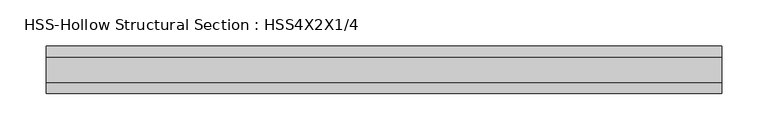
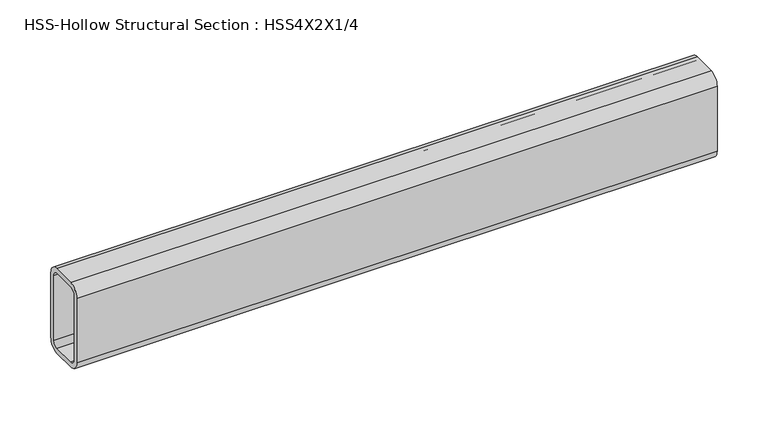
"""IFC4 building model written with IfcOpenShell, lengths in millimetres: beam geometry, HSS-Hollow Structural Section : HSS4X2X1/4."""

from ifc_helpers import new_model, si_unit, point, frame, frame_2d, origin, place, context, project, spatial, polyline, circle_curve, trimmed, segment, composite_curve, outline, extrude, source, transform, mapped, element, save


def hss_hollow_structural_section_hss4x2x1_4_ff251798(model_context):
    return source(origin(), model_context, "Body", "SweptSolid", [
        extrude(outline(composite_curve([segment(polyline([(25.4, 38.9636), (25.4, -38.9636)]), True, "CONTINUOUS"), segment(trimmed(circle_curve(frame_2d((13.5636, -38.9636)), 11.8364), [point((25.4, -38.9636))], [point((13.5636, -50.8))], False, "CARTESIAN"), True, "CONTINUOUS"), segment(polyline([(13.5636, -50.8), (-13.5636, -50.8)]), True, "CONTINUOUS"), segment(trimmed(circle_curve(frame_2d((-13.5636, -38.9636)), 11.8364), [point((-13.5636, -50.8))], [point((-25.4, -38.9636))], False, "CARTESIAN"), True, "CONTINUOUS"), segment(polyline([(-25.4, -38.9636), (-25.4, 38.9636)]), True, "CONTINUOUS"), segment(trimmed(circle_curve(frame_2d((-13.5636, 38.9636)), 11.8364), [point((-25.4, 38.9636))], [point((-13.5636, 50.8))], False, "CARTESIAN"), True, "CONTINUOUS"), segment(polyline([(-13.5636, 50.8), (13.5636, 50.8)]), True, "CONTINUOUS"), segment(trimmed(circle_curve(frame_2d((13.5636, 38.9636)), 11.8364), [point((13.5636, 50.8))], [point((25.4, 38.9636))], False, "CARTESIAN"), True, "CONTINUOUS")], self_intersect=False), holes=[composite_curve([segment(trimmed(circle_curve(frame_2d((-13.5636, 38.9636)), 5.9182), [point((-13.5636, 44.8818))], [point((-19.4818, 38.9636))], True, "CARTESIAN"), True, "CONTINUOUS"), segment(polyline([(-19.4818, 38.9636), (-19.4818, -38.9636)]), True, "CONTINUOUS"), segment(trimmed(circle_curve(frame_2d((-13.5636, -38.9636)), 5.9182), [point((-19.4818, -38.9636))], [point((-13.5636, -44.8818))], True, "CARTESIAN"), True, "CONTINUOUS"), segment(polyline([(-13.5636, -44.8818), (13.5636, -44.8818)]), True, "CONTINUOUS"), segment(trimmed(circle_curve(frame_2d((13.5636, -38.9636)), 5.9182), [point((13.5636, -44.8818))], [point((19.4818, -38.9636))], True, "CARTESIAN"), True, "CONTINUOUS"), segment(polyline([(19.4818, -38.9636), (19.4818, 38.9636)]), True, "CONTINUOUS"), segment(trimmed(circle_curve(frame_2d((13.5636, 38.9636)), 5.9182), [point((19.4818, 38.9636))], [point((13.5636, 44.8818))], True, "CARTESIAN"), True, "CONTINUOUS"), segment(polyline([(13.5636, 44.8818), (-13.5636, 44.8818)]), True, "CONTINUOUS")], self_intersect=False)]), frame((-353.7586555, 0.0, 0.0), z_axis=(1.0, 0.0, 0.0), x_axis=(0.0, 1.0, 0.0)), (0.0, 0.0, 1.0), 726.4790717),
    ])


if __name__ == "__main__":
    model = new_model("IFC4")
    model_context = context("Model", 3, world=origin())
    ifc_project = project(units=[si_unit("LENGTHUNIT", "METRE", prefix="MILLI")], contexts=[model_context])
    site = spatial("IfcSite", under=ifc_project)
    building = spatial("IfcBuilding", under=site)
    placement = place(None, origin())
    hss_hollow_structural_section_hss4x2x1_4_shape = hss_hollow_structural_section_hss4x2x1_4_ff251798(model_context)
    element("IfcBeam", 1, ObjectType="HSS-Hollow Structural Section : HSS4X2X1/4", at=placement, inside=building, context=model_context, shape_type="MappedRepresentation", body=[
        mapped(hss_hollow_structural_section_hss4x2x1_4_shape, transform((0.0, 0.0, 0.0), x_axis=(1.0, 0.0, 0.0), y_axis=(0.0, 1.0, 0.0), z_axis=(0.0, 0.0, 1.0))),
    ])
    save(model, "model.ifc")
